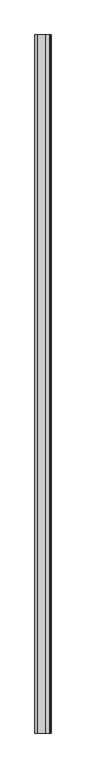
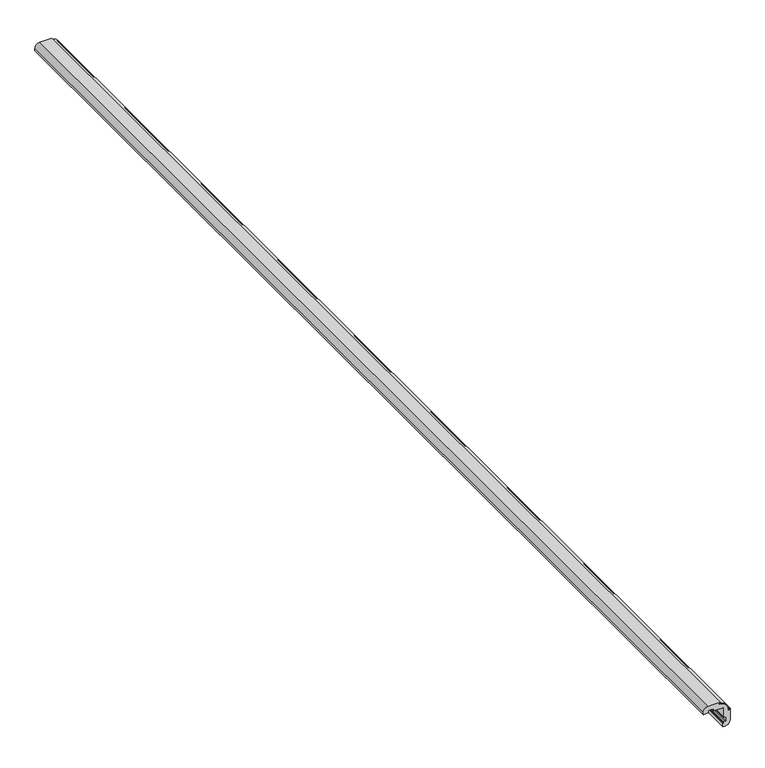
"""IFC4 building model written with IfcOpenShell, lengths in millimetres: proxy geometry."""

from ifc_helpers import new_model, si_unit, point, frame, frame_2d, origin, place, context, project, spatial, polyline, circle_curve, trimmed, segment, composite_curve, outline, extrude, source, transform, mapped, element, save
from ifc_brep_helpers import plane_surface, cylinder_surface, revolved_surface, advanced_brep


def specialty_equipment_713a7d86(model_context):
    return source(origin(), model_context, "Body", "SolidModel", [
        extrude(outline(composite_curve([segment(trimmed(circle_curve(frame_2d((-9.2002792, -9.2421232)), 23.9155039), [point((14.7141276, -9.4711864))], [point((-9.4711864, 14.6718462))], True, "CARTESIAN"), True, "CONTINUOUS"), segment(polyline([(-9.4711864, 14.6718462), (-9.4711864, 15.7289346)]), True, "CONTINUOUS"), segment(trimmed(circle_curve(frame_2d((-9.4711864, -9.4711864)), 25.2001211), [point((-9.4711864, 15.7289346))], [point((15.7289346, -9.4711864))], False, "CARTESIAN"), True, "CONTINUOUS"), segment(polyline([(15.7289346, -9.4711864), (14.7141276, -9.4711864)]), True, "CONTINUOUS")], self_intersect=False)), frame((0.0, -1141.4125, 0.0), z_axis=(0.0, 1.0, 0.0), x_axis=(0.0, 0.0, 1.0)), (0.0, 0.0, 1.0), 3021.0125),
        advanced_brep(
        [(-38.0961567, 1879.6, 19.026937), (-6.680569, 1879.6, 19.026937), (-6.680569, 1879.6, 16.6591404), (-9.8940073, 1879.6, 16.6591404), (-9.8940073, 1879.6, 14.7111713), (14.6681499, 1879.6, -9.8940073), (16.6591404, 1879.6, -9.8940073), (16.6591404, 1879.6, -6.680569), (19.1115012, 1879.6, -6.680569), (19.1115012, 1879.6, -38.0538741), (4.8353366, 1879.6, -50.7384988), (0.0, 1879.6, -50.7384988), (0.0, 1879.6, -41.1827482), (0.8456416, 1879.6, -41.1827482), (0.8456416, 1879.6, -39.6605932), (2.4523608, 1879.6, -38.0538741), (5.5812349, 1879.6, -38.0538741), (7.187954, 1879.6, -36.447155), (7.187954, 1879.6, -26.9759685), (5.5812349, 1879.6, -25.3692494), (2.4523608, 1879.6, -25.3692494), (0.8456416, 1879.6, -23.7625303), (0.8456416, 1879.6, 0.8456416), (-23.7625303, 1879.6, 0.8456416), (-25.3692494, 1879.6, 2.4523608), (-25.3692494, 1879.6, 5.5812349), (-26.9759685, 1879.6, 7.187954), (-36.447155, 1879.6, 7.187954), (-38.0538741, 1879.6, 5.5812349), (-38.0538741, 1879.6, 2.4946426), (-39.7028751, 1879.6, 0.8456416), (-41.1827482, 1879.6, 0.8456416), (-41.1827482, 1879.6, 0.0), (-50.7384988, 1879.6, 0.0), (-50.7384988, 1879.6, 4.8353366), (-38.0961567, -1141.4125, 19.026937), (-50.7384988, -1141.4125, 4.8353366), (-50.7384988, -1141.4125, 0.0), (-41.1827482, -1141.4125, 0.0), (-41.1827482, -1141.4125, 0.8456416), (-39.7028751, -1141.4125, 0.8456416), (-38.0538741, -1141.4125, 2.4946426), (-38.0538741, -1141.4125, 5.5812349), (-36.447155, -1141.4125, 7.187954), (-26.9759685, -1141.4125, 7.187954), (-25.3692494, -1141.4125, 5.5812349), (-25.3692494, -1141.4125, 2.4523608), (-23.7625303, -1141.4125, 0.8456416), (0.8456416, -1141.4125, 0.8456416), (0.8456416, -1141.4125, -23.7625303), (2.4523608, -1141.4125, -25.3692494), (5.5812349, -1141.4125, -25.3692494), (7.187954, -1141.4125, -26.9759685), (7.187954, -1141.4125, -36.447155), (5.5812349, -1141.4125, -38.0538741), (2.4523608, -1141.4125, -38.0538741), (0.8456416, -1141.4125, -39.6605932), (0.8456416, -1141.4125, -41.1827482), (0.0, -1141.4125, -41.1827482), (0.0, -1141.4125, -50.7384988), (4.8353366, -1141.4125, -50.7384988), (19.026937, -1141.4125, -38.0961562), (19.1115012, -1141.4125, -6.680569), (16.6591404, -1141.4125, -6.680569), (16.6591404, -1141.4125, -9.8940073), (14.6681499, -1141.4125, -9.8940073), (-9.8940073, -1141.4125, 14.7111713), (-9.8940073, -1141.4125, 16.6591404), (-6.680569, -1141.4125, 16.6591404), (-6.680569, -1141.4125, 19.026937)],
        [
            (0, 1),
            (1, 2),
            (2, 3),
            (3, 4),
            (4, 5, circle_curve(frame((-9.5135049, 1879.6, -9.4711864), z_axis=(0.0, 1.0, 0.0), x_axis=(1.0, 0.0, 0.0)), 24.1853511)),
            (5, 6),
            (6, 7),
            (7, 8),
            (8, 9),
            (9, 10, circle_curve(frame((6.3000308, 1879.6, -38.0961567), z_axis=(0.0, 1.0, 0.0), x_axis=(0.0, 0.0, -1.0)), 12.7269062)),
            (10, 11),
            (11, 12),
            (12, 13),
            (13, 14),
            (14, 15, circle_curve(frame((2.4523608, 1879.6, -39.6605932), z_axis=(0.0, 1.0, 0.0), x_axis=(1.0, 0.0, 0.0)), 1.6067191)),
            (15, 16),
            (16, 17, circle_curve(frame((5.5812349, 1879.6, -36.447155), z_axis=(0.0, -1.0, 0.0), x_axis=(1.0, 0.0, 0.0)), 1.6067191)),
            (17, 18),
            (18, 19, circle_curve(frame((5.5812349, 1879.6, -26.9759685), z_axis=(0.0, -1.0, 0.0), x_axis=(1.0, 0.0, 0.0)), 1.6067191)),
            (19, 20),
            (20, 21, circle_curve(frame((2.4523608, 1879.6, -23.7625303), z_axis=(0.0, 1.0, 0.0), x_axis=(1.0, 0.0, 0.0)), 1.6067191)),
            (21, 22),
            (22, 23),
            (23, 24, circle_curve(frame((-23.7625303, 1879.6, 2.4523608), z_axis=(0.0, 1.0, 0.0), x_axis=(1.0, 0.0, 0.0)), 1.6067191)),
            (24, 25),
            (25, 26, circle_curve(frame((-26.9759685, 1879.6, 5.5812349), z_axis=(0.0, -1.0, 0.0), x_axis=(1.0, 0.0, 0.0)), 1.6067191)),
            (26, 27),
            (27, 28, circle_curve(frame((-36.447155, 1879.6, 5.5812349), z_axis=(0.0, -1.0, 0.0), x_axis=(1.0, 0.0, 0.0)), 1.6067191)),
            (28, 29),
            (29, 30, circle_curve(frame((-39.7028751, 1879.6, 2.4946426), z_axis=(0.0, 1.0, 0.0), x_axis=(1.0, 0.0, 0.0)), 1.649001)),
            (30, 31),
            (31, 32),
            (32, 33),
            (33, 34),
            (34, 0, circle_curve(frame((-38.0961567, 1879.6, 6.3000308), z_axis=(0.0, 1.0, 0.0), x_axis=(0.0, 0.0, -1.0)), 12.7269062)),
            (35, 36, circle_curve(frame((-38.0961567, -1141.4125, 6.3000308), z_axis=(0.0, -1.0, 0.0), x_axis=(0.0, 0.0, -1.0)), 12.7269062)),
            (36, 37),
            (37, 38),
            (38, 39),
            (39, 40),
            (40, 41, circle_curve(frame((-39.7028751, -1141.4125, 2.4946426), z_axis=(0.0, -1.0, 0.0), x_axis=(1.0, 0.0, 0.0)), 1.649001)),
            (41, 42),
            (42, 43, circle_curve(frame((-36.447155, -1141.4125, 5.5812349), z_axis=(0.0, 1.0, 0.0), x_axis=(1.0, 0.0, 0.0)), 1.6067191)),
            (43, 44),
            (44, 45, circle_curve(frame((-26.9759685, -1141.4125, 5.5812349), z_axis=(0.0, 1.0, 0.0), x_axis=(1.0, 0.0, 0.0)), 1.6067191)),
            (45, 46),
            (46, 47, circle_curve(frame((-23.7625303, -1141.4125, 2.4523608), z_axis=(0.0, -1.0, 0.0), x_axis=(1.0, 0.0, 0.0)), 1.6067191)),
            (47, 48),
            (48, 49),
            (49, 50, circle_curve(frame((2.4523608, -1141.4125, -23.7625303), z_axis=(0.0, -1.0, 0.0), x_axis=(1.0, 0.0, 0.0)), 1.6067191)),
            (50, 51),
            (51, 52, circle_curve(frame((5.5812349, -1141.4125, -26.9759685), z_axis=(0.0, 1.0, 0.0), x_axis=(1.0, 0.0, 0.0)), 1.6067191)),
            (52, 53),
            (53, 54, circle_curve(frame((5.5812349, -1141.4125, -36.447155), z_axis=(0.0, 1.0, 0.0), x_axis=(1.0, 0.0, 0.0)), 1.6067191)),
            (54, 55),
            (55, 56, circle_curve(frame((2.4523608, -1141.4125, -39.6605932), z_axis=(0.0, -1.0, 0.0), x_axis=(1.0, 0.0, 0.0)), 1.6067191)),
            (56, 57),
            (57, 58),
            (58, 59),
            (59, 60),
            (60, 61, circle_curve(frame((6.3000308, -1141.4125, -38.0961567), z_axis=(0.0, -1.0, 0.0), x_axis=(0.0, 0.0, -1.0)), 12.7269062)),
            (61, 62),
            (62, 63),
            (63, 64),
            (64, 65),
            (65, 66, circle_curve(frame((-9.5135049, -1141.4125, -9.4711864), z_axis=(0.0, -1.0, 0.0), x_axis=(1.0, 0.0, 0.0)), 24.1853511)),
            (66, 67),
            (67, 68),
            (68, 69),
            (69, 35),
            (33, 37),
            (36, 34),
            (0, 35),
            (69, 1),
            (32, 38),
            (68, 2),
            (5, 65),
            (64, 6),
            (63, 7),
            (10, 60),
            (59, 11),
            (67, 3),
            (66, 4),
            (62, 8),
            (61, 9),
            (12, 58),
            (57, 13),
            (31, 39),
            (15, 55),
            (54, 16),
            (26, 44),
            (43, 27),
            (19, 51),
            (50, 20),
            (22, 48),
            (47, 23),
            (24, 46),
            (45, 25),
            (28, 42),
            (41, 29),
            (30, 40),
            (49, 21),
            (56, 14),
            (53, 17),
            (52, 18),
        ],
        [
            plane_surface(frame((0.0, 1879.6, 0.0), z_axis=(0.0, 1.0, 0.0), x_axis=(0.0, 0.0, 1.0))),
            plane_surface(frame((0.0, -1141.4125, 0.0), z_axis=(0.0, -1.0, 0.0), x_axis=(0.0, 0.0, 1.0))),
            plane_surface(frame((-50.7384988, 1879.6, 0.0), z_axis=(-1.0, 0.0, 0.0), x_axis=(0.0, -1.0, 0.0))),
            plane_surface(frame((-38.0961567, 1879.6, 19.026937), z_axis=(0.0, 0.0, 1.0), x_axis=(0.0, -1.0, 0.0))),
            plane_surface(frame((-41.1827482, 1879.6, 0.0), z_axis=(0.0, 0.0, -1.0), x_axis=(0.0, -1.0, 0.0))),
            plane_surface(frame((-6.680569, 1879.6, 19.026937), z_axis=(1.0, 0.0, 0.0), x_axis=(0.0, -1.0, 0.0))),
            plane_surface(frame((14.6681499, 1879.6, -9.8940073), z_axis=(0.0, 0.0, 1.0), x_axis=(0.0, -1.0, 0.0))),
            cylinder_surface(frame((-38.0961567, 1879.6, 6.3000308), z_axis=(0.0, 1.0, 0.0), x_axis=(0.0, 0.0, -1.0)), 12.7269062),
            plane_surface(frame((16.6591404, 1879.6, -9.8940073), z_axis=(-1.0, 0.0, 0.0), x_axis=(0.0, -1.0, 0.0))),
            plane_surface(frame((4.8353366, 1879.6, -50.7384988), z_axis=(0.0, 0.0, -1.0), x_axis=(0.0, -1.0, 0.0))),
            plane_surface(frame((-6.680569, 1879.6, 16.6591404), z_axis=(0.0, 0.0, -1.0), x_axis=(0.0, -1.0, 0.0))),
            plane_surface(frame((-9.8940073, 1879.6, 16.6591404), z_axis=(1.0, 0.0, 0.0), x_axis=(0.0, -1.0, 0.0))),
            plane_surface(frame((16.6591404, 1879.6, -6.680569), z_axis=(0.0, 0.0, 1.0), x_axis=(0.0, -1.0, 0.0))),
            plane_surface(frame((19.1115012, 1879.6, -6.680569), z_axis=(1.0, 0.0, 0.0), x_axis=(0.0, -1.0, 0.0))),
            cylinder_surface(frame((6.3000308, 1879.6, -38.0961567), z_axis=(0.0, 1.0, 0.0), x_axis=(0.0, 0.0, -1.0)), 12.7269062),
            plane_surface(frame((0.0, 1879.6, -41.1827482), z_axis=(0.0, 0.0, 1.0), x_axis=(0.0, -1.0, 0.0))),
            plane_surface(frame((-41.1827482, 1879.6, 0.8456416), z_axis=(1.0, 0.0, 0.0), x_axis=(0.0, -1.0, 0.0))),
            plane_surface(frame((2.4523608, 1879.6, -38.0538741), z_axis=(0.0, 0.0, 1.0), x_axis=(0.0, -1.0, 0.0))),
            plane_surface(frame((-26.9759685, 1879.6, 7.187954), z_axis=(0.0, 0.0, -1.0), x_axis=(0.0, -1.0, 0.0))),
            plane_surface(frame((5.5812349, 1879.6, -25.3692494), z_axis=(0.0, 0.0, -1.0), x_axis=(0.0, -1.0, 0.0))),
            plane_surface(frame((0.8456416, 1879.6, 0.8456416), z_axis=(0.0, 0.0, -1.0), x_axis=(0.0, -1.0, 0.0))),
            plane_surface(frame((-25.3692494, 1879.6, 2.4523608), z_axis=(-1.0, 0.0, 0.0), x_axis=(0.0, -1.0, 0.0))),
            plane_surface(frame((-38.0538741, 1879.6, 5.5812349), z_axis=(1.0, 0.0, 0.0), x_axis=(0.0, -1.0, 0.0))),
            plane_surface(frame((-39.7028751, 1879.6, 0.8456416), z_axis=(0.0, 0.0, -1.0), x_axis=(0.0, -1.0, 0.0))),
            cylinder_surface(frame((-9.5135049, 1879.6, -9.4711864), z_axis=(0.0, 1.0, 0.0), x_axis=(1.0, 0.0, 0.0)), 24.1853511),
            plane_surface(frame((0.0, 1879.6, -50.7384988), z_axis=(-1.0, 0.0, 0.0), x_axis=(0.0, -1.0, 0.0))),
            cylinder_surface(frame((-23.7625303, 1879.6, 2.4523608), z_axis=(0.0, 1.0, 0.0), x_axis=(1.0, 0.0, 0.0)), 1.6067191),
            cylinder_surface(frame((2.4523608, 1879.6, -23.7625303), z_axis=(0.0, 1.0, 0.0), x_axis=(1.0, 0.0, 0.0)), 1.6067191),
            cylinder_surface(frame((-39.7028751, 1879.6, 2.4946426), z_axis=(0.0, 1.0, 0.0), x_axis=(1.0, 0.0, 0.0)), 1.649001),
            revolved_surface(polyline([(-25.3692494, -1141.4125, 5.5812349), (-25.3692494, 1879.6, 5.5812349)]), (-26.9759685, 1879.6, 5.5812349), (0.0, -1.0, 0.0)),
            revolved_surface(polyline([(-34.8404359, -1141.4125, 5.5812349), (-34.8404359, 1879.6, 5.5812349)]), (-36.447155, 1879.6, 5.5812349), (0.0, -1.0, 0.0)),
            plane_surface(frame((0.8456416, 1879.6, -41.1827482), z_axis=(-1.0, 0.0, 0.0), x_axis=(0.0, -1.0, 0.0))),
            cylinder_surface(frame((2.4523608, 1879.6, -39.6605932), z_axis=(0.0, 1.0, 0.0), x_axis=(1.0, 0.0, 0.0)), 1.6067191),
            revolved_surface(polyline([(7.187954, -1141.4125, -36.447155), (7.187954, 1879.6, -36.447155)]), (5.5812349, 1879.6, -36.447155), (0.0, -1.0, 0.0)),
            plane_surface(frame((7.187954, 1879.6, -36.447155), z_axis=(-1.0, 0.0, 0.0), x_axis=(0.0, -1.0, 0.0))),
            revolved_surface(polyline([(7.187954, -1141.4125, -26.9759685), (7.187954, 1879.6, -26.9759685)]), (5.5812349, 1879.6, -26.9759685), (0.0, -1.0, 0.0)),
            plane_surface(frame((0.8456416, 1879.6, -23.7625303), z_axis=(-1.0, 0.0, 0.0), x_axis=(0.0, -1.0, 0.0))),
        ],
        [
            (0, [[1, 2, 3, 4, 5, 6, 7, 8, 9, 10, 11, 12, 13, 14, 15, 16, 17, 18, 19, 20, 21, 22, 23, 24, 25, 26, 27, 28, 29, 30, 31, 32, 33, 34, 35]]),
            (1, [[36, 37, 38, 39, 40, 41, 42, 43, 44, 45, 46, 47, 48, 49, 50, 51, 52, 53, 54, 55, 56, 57, 58, 59, 60, 61, 62, 63, 64, 65, 66, 67, 68, 69, 70]]),
            (2, [[-34, 71, -37, 72]]),
            (3, [[-1, 73, -70, 74]]),
            (4, [[-33, 75, -38, -71]]),
            (5, [[-2, -74, -69, 76]]),
            (6, [[-6, 77, -65, 78]]),
            (7, [[-35, -72, -36, -73]]),
            (8, [[-7, -78, -64, 79]]),
            (9, [[-11, 80, -60, 81]]),
            (10, [[-3, -76, -68, 82]]),
            (11, [[-4, -82, -67, 83]]),
            (12, [[-8, -79, -63, 84]]),
            (13, [[-9, -84, -62, 85]]),
            (14, [[-10, -85, -61, -80]]),
            (15, [[-13, 86, -58, 87]]),
            (16, [[-32, 88, -39, -75]]),
            (17, [[-16, 89, -55, 90]]),
            (18, [[-27, 91, -44, 92]]),
            (19, [[-20, 93, -51, 94]]),
            (20, [[-23, 95, -48, 96]]),
            (21, [[-25, 97, -46, 98]]),
            (22, [[-29, 99, -42, 100]]),
            (23, [[-31, 101, -40, -88]]),
            (24, [[-5, -83, -66, -77]]),
            (25, [[-12, -81, -59, -86]]),
            (26, [[-24, -96, -47, -97]]),
            (27, [[-21, -94, -50, 102]]),
            (28, [[-30, -100, -41, -101]]),
            (29, [[-26, -98, -45, -91]]),
            (30, [[-28, -92, -43, -99]]),
            (31, [[-14, -87, -57, 103]]),
            (32, [[-15, -103, -56, -89]]),
            (33, [[-17, -90, -54, 104]]),
            (34, [[-18, -104, -53, 105]]),
            (35, [[-19, -105, -52, -93]]),
            (36, [[-22, -102, -49, -95]]),
        ],
    ),
    ])


if __name__ == "__main__":
    model = new_model("IFC4")
    model_context = context("Model", 3, world=origin())
    ifc_project = project(units=[si_unit("LENGTHUNIT", "METRE", prefix="MILLI")], contexts=[model_context])
    site = spatial("IfcSite", under=ifc_project)
    building = spatial("IfcBuilding", under=site)
    placement = place(None, origin())
    specialty_equipment_shape = specialty_equipment_713a7d86(model_context)
    element("IfcBuildingElementProxy", 1, Name="Specialty Equipment", at=placement, inside=building, context=model_context, shape_type="MappedRepresentation", body=[
        mapped(specialty_equipment_shape, transform((0.0, 0.0, 0.0), x_axis=(1.0, 0.0, 0.0), y_axis=(0.0, 1.0, 0.0), z_axis=(0.0, 0.0, 1.0))),
    ])
    save(model, "model.ifc")
